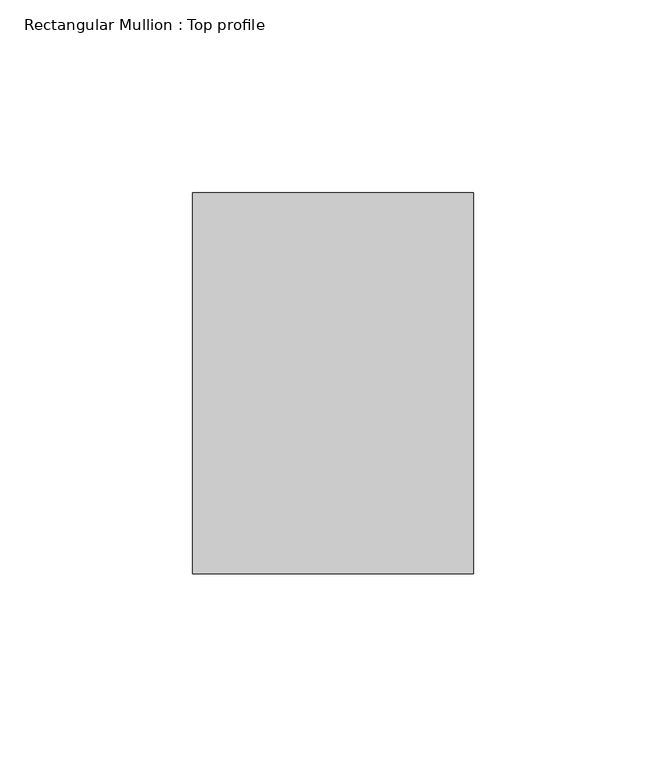
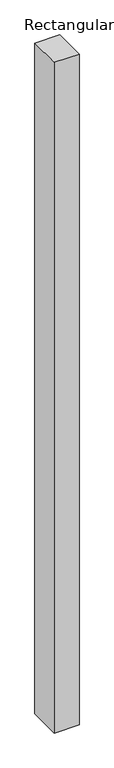
"""IFC4 building model written with IfcOpenShell, lengths in millimetres: member geometry, Rectangular Mullion : Top profile."""

import ifcopenshell
import ifcopenshell.guid

model = None  # the IFC model being written
_history = None  # IfcOwnerHistory: only IFC2X3 demands one
_inside = {}  # id of a spatial element -> (the spatial element, [elements in it])
_under = {}  # id of a project, library or spatial element -> (it, [spatial elements below it])
_declared = {}  # id of a project -> (the project, [libraries it declares])
_typed = {}  # id of a type object -> (the type object, [elements of that type])
_made_of = {}  # id of a material, layer set ... -> (it, [elements and type objects made of it])


def new_model(schema):
    """Start an empty IFC model of exactly this schema.

    Asked for "IFC4X3", IfcOpenShell would pick the latest addendum, in which some entities
    have other attributes; the version numbers below select the first issue.
    IFC2X3 requires an IfcOwnerHistory on every rooted entity: one is made here for all.
    """
    global model, _history
    if schema == "IFC4X3":
        model = ifcopenshell.file(schema_version=(4, 3, 0, 0))
    else:
        model = ifcopenshell.file(schema=schema)
    _inside.clear()
    _under.clear()
    _declared.clear()
    _typed.clear()
    _made_of.clear()
    _history = None
    if model.schema == "IFC2X3":
        org = make("IfcOrganization", Name="unknown")
        user = make(
            "IfcPersonAndOrganization",
            ThePerson=make("IfcPerson", FamilyName="unknown"),
            TheOrganization=org,
        )
        app = make(
            "IfcApplication",
            ApplicationDeveloper=org,
            Version="unknown",
            ApplicationFullName="unknown",
            ApplicationIdentifier="unknown",
        )
        _history = make(
            "IfcOwnerHistory",
            OwningUser=user,
            OwningApplication=app,
            ChangeAction="ADDED",
            CreationDate=0,
        )
    return model


def make(cls, **values):
    """One entity of the class cls with the attributes given. An attribute that is None is left unset."""
    return model.create_entity(
        cls, **{name: value for name, value in values.items() if value is not None}
    )


def rooted(cls, **values):
    """An entity with a GlobalId (a new one), such as an element, a storey or a relation."""
    return make(cls, GlobalId=ifcopenshell.guid.new(), OwnerHistory=_history, **values)


def si_unit(unit_type, name, prefix=None):
    """IfcSIUnit, for example si_unit("LENGTHUNIT", "METRE", prefix="MILLI")."""
    return make("IfcSIUnit", UnitType=unit_type, Prefix=prefix, Name=name)


def assignment(units):
    """IfcUnitAssignment: the units of a project."""
    return None if units is None else make("IfcUnitAssignment", Units=units)


def point(xyz):
    """IfcCartesianPoint."""
    return None if xyz is None else make("IfcCartesianPoint", Coordinates=xyz)


def direction(xyz):
    """IfcDirection."""
    return None if xyz is None else make("IfcDirection", DirectionRatios=xyz)


def frame(location, z_axis=None, x_axis=None):
    """IfcAxis2Placement3D, a coordinate frame: its origin and axes. An axis left out is left unset."""
    return make(
        "IfcAxis2Placement3D",
        Location=point(location),
        Axis=direction(z_axis),
        RefDirection=direction(x_axis),
    )


def origin():
    """The frame at (0, 0, 0) with its axes left unset."""
    return frame((0.0, 0.0, 0.0))


def place(relative_to, where):
    """IfcLocalPlacement: puts the frame where relative to a parent placement (None: the world)."""
    return make(
        "IfcLocalPlacement", PlacementRelTo=relative_to, RelativePlacement=where
    )


def context(
    kind, dimensions, precision=None, world=None, true_north=None, identifier=None
):
    """IfcGeometricRepresentationContext, for example the 3D "Model" context."""
    return make(
        "IfcGeometricRepresentationContext",
        ContextIdentifier=identifier,
        ContextType=kind,
        CoordinateSpaceDimension=dimensions,
        Precision=precision,
        WorldCoordinateSystem=world,
        TrueNorth=true_north,
    )


def project(units=None, contexts=None):
    """IfcProject with its units and contexts."""
    return rooted(
        "IfcProject",
        Name="project",
        RepresentationContexts=contexts,
        UnitsInContext=assignment(units),
    )


def spatial(cls, under=None, at=None, **own):
    """A site, building, storey or space (cls), placed at a placement, below another one or the project."""
    s = rooted(cls, ObjectPlacement=at, **own)
    if under is not None:
        _under.setdefault(under.id(), (under, []))[1].append(s)
    return s


def polyline(points):
    """IfcPolyline through the points."""
    return make("IfcPolyline", Points=[point(p) for p in points])


def outline(outer, holes=None, kind="AREA"):
    """IfcArbitraryClosedProfileDef: a profile drawn as a closed curve; with holes, ...WithVoids."""
    if holes is None:
        return make("IfcArbitraryClosedProfileDef", ProfileType=kind, OuterCurve=outer)
    return make(
        "IfcArbitraryProfileDefWithVoids",
        ProfileType=kind,
        OuterCurve=outer,
        InnerCurves=holes,
    )


def extrude(swept, where, along, depth):
    """IfcExtrudedAreaSolid: the profile swept, set in the frame where, extruded along a direction by depth."""
    return make(
        "IfcExtrudedAreaSolid",
        SweptArea=swept,
        Position=where,
        ExtrudedDirection=direction(along),
        Depth=depth,
    )


def shape(context_of_items, identifier, shape_type, items):
    """IfcShapeRepresentation: the items that make up one representation, for example the "Body"."""
    return make(
        "IfcShapeRepresentation",
        ContextOfItems=context_of_items,
        RepresentationIdentifier=identifier,
        RepresentationType=shape_type,
        Items=items,
    )


def source(mapping_origin, context_of_items, identifier, shape_type, items):
    """IfcRepresentationMap: a shape defined once, which mapped items show again and again."""
    return make(
        "IfcRepresentationMap",
        MappingOrigin=mapping_origin,
        MappedRepresentation=shape(context_of_items, identifier, shape_type, items),
    )


def transform(
    local_origin,
    x_axis=None,
    y_axis=None,
    z_axis=None,
    scale=None,
    scale2=None,
    scale3=None,
    uniform=True,
):
    """IfcCartesianTransformationOperator3D, or its non-uniform kind. x_axis, y_axis, z_axis: its Axis1, 2, 3."""
    if uniform:
        return make(
            "IfcCartesianTransformationOperator3D",
            Axis1=direction(x_axis),
            Axis2=direction(y_axis),
            LocalOrigin=point(local_origin),
            Scale=scale,
            Axis3=direction(z_axis),
        )
    return make(
        "IfcCartesianTransformationOperator3DnonUniform",
        Axis1=direction(x_axis),
        Axis2=direction(y_axis),
        LocalOrigin=point(local_origin),
        Scale=scale,
        Axis3=direction(z_axis),
        Scale2=scale2,
        Scale3=scale3,
    )


def mapped(mapping_source, mapping_target):
    """IfcMappedItem: shows the shape of a source again, moved by a transform."""
    return make(
        "IfcMappedItem", MappingSource=mapping_source, MappingTarget=mapping_target
    )


def made_of(thing, what):
    """Note that an element or type object is made of a material, layer set ...; save() writes the relation."""
    if what is not None:
        _made_of.setdefault(what.id(), (what, []))[1].append(thing)
    return thing


def element(
    cls,
    number,
    at=None,
    inside=None,
    cuts=None,
    type_object=None,
    material=None,
    context=None,
    identifier="Body",
    shape_type=None,
    held_by="IfcProductDefinitionShape",
    body=None,
    shapes=None,
    **own,
):
    """One element of the class cls, such as IfcWall. Its Tag is "e" and its number.

    at: its placement. inside: the storey or other place that contains it. cuts: it is an
    opening in that element (IfcRelVoidsElement). A single representation is given by context,
    identifier, shape_type and body (its items); several are given by shapes. held_by: the class
    of the entity that holds the representations. save() writes the other relations.
    """
    e = rooted(cls, Tag="e%d" % number, ObjectPlacement=at, **own)
    if body is not None:
        shapes = [shape(context, identifier, shape_type, body)]
    if shapes is not None:
        e.Representation = make(held_by, Representations=shapes)
    if inside is not None:
        _inside.setdefault(inside.id(), (inside, []))[1].append(e)
    if cuts is not None:
        rooted(
            "IfcRelVoidsElement", RelatingBuildingElement=cuts, RelatedOpeningElement=e
        )
    if type_object is not None:
        _typed.setdefault(type_object.id(), (type_object, []))[1].append(e)
    return made_of(e, material)


def aggregate(whole, parts):
    """IfcRelAggregates: a whole, such as a stair, and the parts it consists of."""
    return rooted("IfcRelAggregates", RelatingObject=whole, RelatedObjects=parts)


def save(model, path):
    """Write the relations noted so far, then the file.

    IfcRelAggregates (storeys below a building ...), IfcRelContainedInSpatialStructure (elements
    in a storey), IfcRelDefinesByType, IfcRelAssociatesMaterial and IfcRelDeclares: one each for
    every whole, place, type object, material and project.
    """
    for whole, parts in _under.values():
        aggregate(whole, parts)
    for where, things in _inside.values():
        rooted(
            "IfcRelContainedInSpatialStructure",
            RelatedElements=things,
            RelatingStructure=where,
        )
    for kind, things in _typed.values():
        rooted("IfcRelDefinesByType", RelatedObjects=things, RelatingType=kind)
    for what, things in _made_of.values():
        rooted("IfcRelAssociatesMaterial", RelatedObjects=things, RelatingMaterial=what)
    for by, libraries in _declared.values():
        rooted("IfcRelDeclares", RelatingContext=by, RelatedDefinitions=libraries)
    model.write(path)


def rectangular_mullion_top_profile_96c646bd(model_context):
    return source(origin(), model_context, "Body", "SweptSolid", [
        extrude(outline(polyline([(-73.0, 49.5), (0.0, 49.5), (0.0, -49.5), (-73.0, -49.5), (-73.0, 49.5)])), frame((0.0, 0.0, -2090.0), z_axis=(0.0, 0.0, 1.0), x_axis=(1.0, 0.0, 0.0)), (0.0, 0.0, 1.0), 2090.0),
    ])


if __name__ == "__main__":
    model = new_model("IFC4")
    model_context = context("Model", 3, world=origin())
    ifc_project = project(units=[si_unit("LENGTHUNIT", "METRE", prefix="MILLI")], contexts=[model_context])
    site = spatial("IfcSite", under=ifc_project)
    building = spatial("IfcBuilding", under=site)
    placement = place(None, origin())
    rectangular_mullion_top_profile_shape = rectangular_mullion_top_profile_96c646bd(model_context)
    element("IfcMember", 1, ObjectType="Rectangular Mullion : Top profile", at=placement, inside=building, context=model_context, shape_type="MappedRepresentation", body=[
        mapped(rectangular_mullion_top_profile_shape, transform((0.0, 0.0, 0.0), x_axis=(1.0, 0.0, 0.0), y_axis=(0.0, 1.0, 0.0), z_axis=(0.0, 0.0, 1.0))),
    ])
    save(model, "model.ifc")
